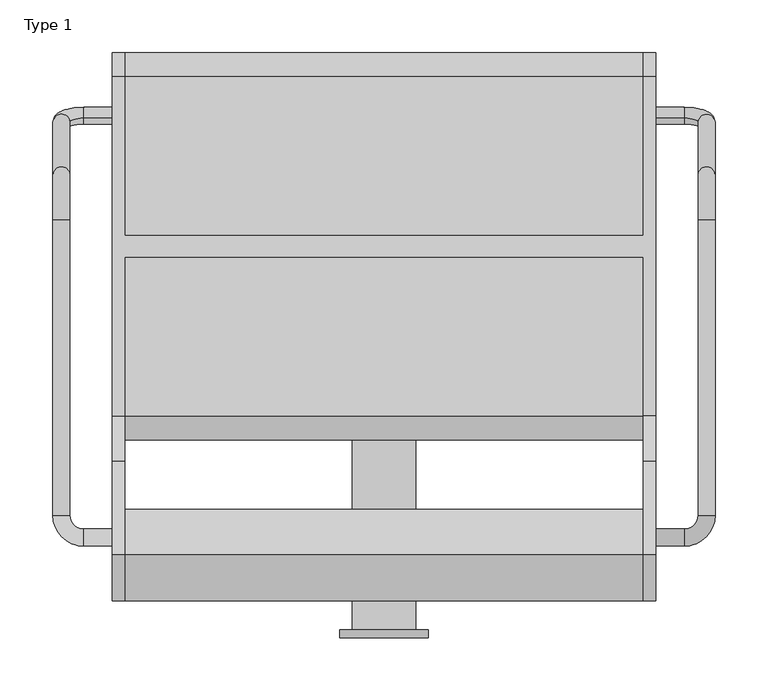
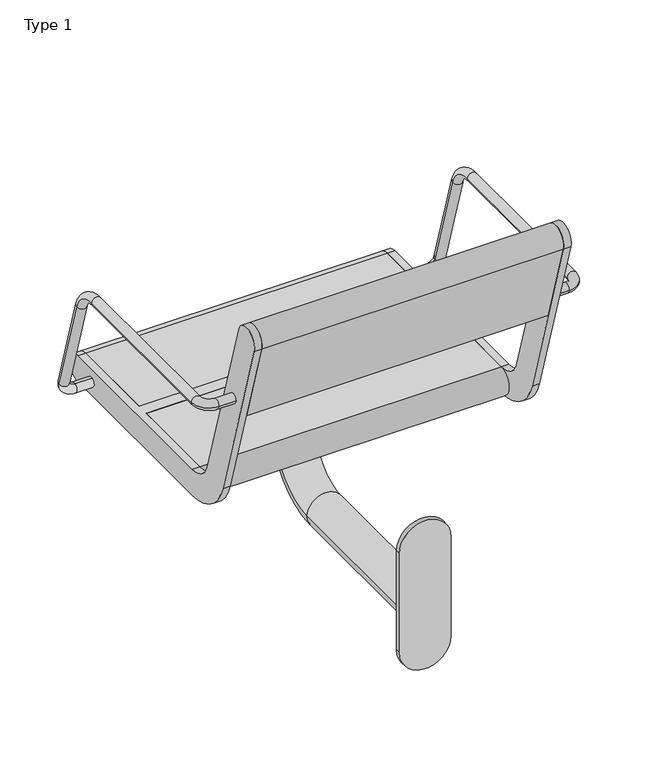
"""IFC4 building model written with IfcOpenShell, lengths in millimetres: furniture geometry, Type 1."""

from ifc_helpers import new_model, si_unit, point, frame, frame_2d, origin, place, context, project, spatial, polyline, circle_curve, ellipse_curve, trimmed, segment, composite_curve, outline, extrude, source, transform, mapped, element, save
from ifc_brep_helpers import plane_surface, cylinder_surface, revolved_surface, advanced_brep


def type_1_fa1e39c8(model_context):
    return source(origin(), model_context, "Body", "SolidModel", [
        advanced_brep(
        [(382.0, 591.6610264, 435.150438), (382.0, 596.3389736, 419.849562), (409.0, 596.3389736, 419.849562), (409.0, 591.6610264, 435.150438), (438.0, 587.8601942, 447.5823999), (422.0, 587.8601942, 447.5823999), (438.0, 216.0, 641.5), (438.0, 495.2753858, 641.5), (422.0, 495.2753858, 641.5), (422.0, 216.0, 641.5), (422.0, 538.3090998, 609.6567267), (438.0, 538.3090998, 609.6567267), (382.0, 203.0, 641.5), (382.0, 187.0, 641.5), (409.0, 187.0, 641.5), (409.0, 203.0, 641.5)],
        [
            (0, 1, circle_curve(frame((382.0, 594.0, 427.5), z_axis=(-1.0, 0.0, 0.0), x_axis=(0.0, 0.2923717047227402, -0.9563047559630344)), 8.0)),
            (1, 0, circle_curve(frame((382.0, 594.0, 427.5), z_axis=(-1.0, 0.0, 0.0), x_axis=(0.0, 0.2923717047227402, -0.9563047559630344)), 8.0)),
            (1, 2),
            (2, 3, circle_curve(frame((409.0, 594.0, 427.5), z_axis=(-1.0, 0.0, 0.0), x_axis=(0.0, 0.2923717047227402, -0.9563047559630344)), 8.0)),
            (3, 0),
            (3, 2, circle_curve(frame((409.0, 594.0, 427.5), z_axis=(-1.0, 0.0, 0.0), x_axis=(0.0, 0.2923717047227402, -0.9563047559630344)), 8.0)),
            (2, 4, circle_curve(frame((409.0, 587.8601942, 447.5823999), z_axis=(0.0, -0.9563047559630344, -0.29237170472274027), x_axis=(0.0, 0.29237170472274027, -0.9563047559630344)), 29.0)),
            (4, 5, circle_curve(frame((430.0, 587.8601942, 447.5823999), z_axis=(0.0, 0.29237170472274027, -0.9563047559630344), x_axis=(1.0, 0.0, 0.0)), 8.0)),
            (5, 3, circle_curve(frame((409.0, 587.8601942, 447.5823999), z_axis=(0.0, 0.9563047559630344, 0.29237170472274027), x_axis=(0.0, 0.29237170472274027, -0.9563047559630344)), 13.0)),
            (5, 4, circle_curve(frame((430.0, 587.8601942, 447.5823999), z_axis=(0.0, 0.29237170472274027, -0.9563047559630344), x_axis=(1.0, 0.0, 0.0)), 8.0)),
            (6, 7),
            (7, 8, circle_curve(frame((430.0, 495.2753858, 641.5), z_axis=(0.0, -1.0, 0.0), x_axis=(1.0, 0.0, 0.0)), 8.0)),
            (8, 9),
            (9, 6, circle_curve(frame((430.0, 216.0, 641.5), z_axis=(0.0, 1.0, 0.0), x_axis=(1.0, 0.0, 0.0)), 8.0)),
            (6, 9, circle_curve(frame((430.0, 216.0, 641.5), z_axis=(0.0, 1.0, 0.0), x_axis=(1.0, 0.0, 0.0)), 8.0)),
            (8, 7, circle_curve(frame((430.0, 495.2753858, 641.5), z_axis=(0.0, -1.0, 0.0), x_axis=(1.0, 0.0, 0.0)), 8.0)),
            (10, 11, circle_curve(frame((430.0, 538.3090998, 609.6567267), z_axis=(0.0, 0.2923717047227378, -0.9563047559630351), x_axis=(1.0, 0.0, 0.0)), 8.0)),
            (11, 4),
            (5, 10),
            (11, 10, circle_curve(frame((430.0, 538.3090998, 609.6567267), z_axis=(0.0, 0.2923717047227378, -0.9563047559630351), x_axis=(1.0, 0.0, 0.0)), 8.0)),
            (7, 11, circle_curve(frame((438.0, 495.2753858, 596.5), z_axis=(-1.0, 0.0, 0.0), x_axis=(0.0, 0.0, 1.0)), 45.0)),
            (10, 8, circle_curve(frame((422.0, 495.2753858, 596.5), z_axis=(1.0, 0.0, 0.0), x_axis=(0.0, 0.0, 1.0)), 45.0)),
            (12, 13, circle_curve(frame((382.0, 195.0, 641.5), z_axis=(-1.0, 0.0, 0.0), x_axis=(0.0, -1.0, 0.0)), 8.0)),
            (13, 12, circle_curve(frame((382.0, 195.0, 641.5), z_axis=(-1.0, 0.0, 0.0), x_axis=(0.0, -1.0, 0.0)), 8.0)),
            (13, 14),
            (14, 15, circle_curve(frame((409.0, 195.0, 641.5), z_axis=(-1.0, 0.0, 0.0), x_axis=(0.0, -1.0, 0.0)), 8.0)),
            (15, 12),
            (15, 14, circle_curve(frame((409.0, 195.0, 641.5), z_axis=(-1.0, 0.0, 0.0), x_axis=(0.0, -1.0, 0.0)), 8.0)),
            (14, 6, circle_curve(frame((409.0, 216.0, 641.5), z_axis=(0.0, 0.0, 1.0), x_axis=(0.0, -1.0, 0.0)), 29.0)),
            (9, 15, circle_curve(frame((409.0, 216.0, 641.5), z_axis=(0.0, 0.0, -1.0), x_axis=(0.0, -1.0, 0.0)), 13.0)),
        ],
        [
            plane_surface(frame((382.0, 1207.469501, 615.0564486), z_axis=(-1.0, 0.0, 0.0), x_axis=(0.0, -0.9563047559630344, -0.29237170472274027))),
            cylinder_surface(frame((382.0, 594.0, 427.5), z_axis=(-1.0, 0.0, 0.0), x_axis=(0.0, 0.2923717047227402, -0.9563047559630344)), 8.0),
            revolved_surface(trimmed(ellipse_curve(frame((409.0, 594.0, 427.5), z_axis=(-1.0, 0.0, 0.0), x_axis=(0.0, 0.2923717047227402, -0.9563047559630344)), 8.0, 8.0), [point((409.0, 596.3389736, 419.849562))], [point((409.0, 591.6610264, 435.150438))], True, "CARTESIAN"), (409.0, 1201.3296952, 635.1388485), (0.0, -0.9563047559630344, -0.29237170472274027)),
            revolved_surface(trimmed(ellipse_curve(frame((409.0, 594.0, 427.5), z_axis=(-1.0, 0.0, 0.0), x_axis=(0.0, 0.2923717047227402, -0.9563047559630344)), 8.0, 8.0), [point((409.0, 591.6610264, 435.150438))], [point((409.0, 596.3389736, 419.849562))], True, "CARTESIAN"), (409.0, 1201.3296952, 635.1388485), (0.0, -0.9563047559630344, -0.29237170472274027)),
            cylinder_surface(frame((430.0, 216.0, 641.5), z_axis=(0.0, -1.0, 0.0), x_axis=(1.0, 0.0, 0.0)), 8.0),
            cylinder_surface(frame((430.0, 538.3090998, 609.6567267), z_axis=(0.0, -0.2923717047227378, 0.9563047559630351), x_axis=(1.0, 0.0, 0.0)), 8.0),
            revolved_surface(trimmed(ellipse_curve(frame((430.0, 495.2753858, 641.5), z_axis=(0.0, -1.0, 0.0), x_axis=(1.0, 0.0, 0.0)), 8.0, 8.0), [point((438.0, 495.2753858, 641.5))], [point((422.0, 495.2753858, 641.5))], True, "CARTESIAN"), (125.0, 495.2753858, 596.5), (-1.0, 0.0, 0.0)),
            revolved_surface(trimmed(ellipse_curve(frame((430.0, 495.2753858, 641.5), z_axis=(0.0, -1.0, 0.0), x_axis=(1.0, 0.0, 0.0)), 8.0, 8.0), [point((422.0, 495.2753858, 641.5))], [point((438.0, 495.2753858, 641.5))], True, "CARTESIAN"), (125.0, 495.2753858, 596.5), (-1.0, 0.0, 0.0)),
            plane_surface(frame((382.0, 195.0, 405.0), z_axis=(-1.0, 0.0, 0.0), x_axis=(0.0, 0.0, 1.0))),
            cylinder_surface(frame((382.0, 195.0, 641.5), z_axis=(-1.0, 0.0, 0.0), x_axis=(0.0, -1.0, 0.0)), 8.0),
            revolved_surface(trimmed(ellipse_curve(frame((409.0, 195.0, 641.5), z_axis=(-1.0, 0.0, 0.0), x_axis=(0.0, -1.0, 0.0)), 8.0, 8.0), [point((409.0, 187.0, 641.5))], [point((409.0, 203.0, 641.5))], True, "CARTESIAN"), (409.0, 216.0, 405.0), (0.0, 0.0, 1.0)),
            revolved_surface(trimmed(ellipse_curve(frame((409.0, 195.0, 641.5), z_axis=(-1.0, 0.0, 0.0), x_axis=(0.0, -1.0, 0.0)), 8.0, 8.0), [point((409.0, 203.0, 641.5))], [point((409.0, 187.0, 641.5))], True, "CARTESIAN"), (409.0, 216.0, 405.0), (0.0, 0.0, 1.0)),
        ],
        [
            (0, [[1, 2]]),
            (1, [[-2, 3, 4, 5]]),
            (1, [[-1, -5, 6, -3]]),
            (2, [[-4, 7, 8, 9]]),
            (3, [[-6, -9, 10, -7]]),
            (4, [[11, 12, 13, 14]]),
            (4, [[-11, 15, -13, 16]]),
            (5, [[17, 18, -10, 19]]),
            (5, [[-18, 20, -19, -8]]),
            (6, [[-12, 21, -17, 22]]),
            (7, [[-16, -22, -20, -21]]),
            (8, [[23, 24]]),
            (9, [[-24, 25, 26, 27]]),
            (9, [[-23, -27, 28, -25]]),
            (10, [[-26, 29, -14, 30]]),
            (11, [[-28, -30, -15, -29]]),
        ],
    ),
        advanced_brep(
        [(-172.0, 216.0, 641.5), (-172.0, 495.2753858, 641.5), (-188.0, 495.2753858, 641.5), (-188.0, 216.0, 641.5), (-188.0, 538.3090998, 609.6567267), (-172.0, 538.3090998, 609.6567267), (-172.0, 587.8601942, 447.5823999), (-188.0, 587.8601942, 447.5823999), (-132.0, 203.0, 641.5), (-132.0, 187.0, 641.5), (-159.0, 203.0, 641.5), (-159.0, 187.0, 641.5), (-132.0, 591.6610264, 435.150438), (-132.0, 596.3389736, 419.849562), (-159.0, 591.6610264, 435.150438), (-159.0, 596.3389736, 419.849562)],
        [
            (0, 1),
            (1, 2, circle_curve(frame((-180.0, 495.2753858, 641.5), z_axis=(0.0, -1.0, 0.0), x_axis=(-1.0, 0.0, 0.0)), 8.0)),
            (2, 3),
            (3, 0, circle_curve(frame((-180.0, 216.0, 641.5), z_axis=(0.0, 1.0, 0.0), x_axis=(-1.0, 0.0, 0.0)), 8.0)),
            (0, 3, circle_curve(frame((-180.0, 216.0, 641.5), z_axis=(0.0, 1.0, 0.0), x_axis=(-1.0, 0.0, 0.0)), 8.0)),
            (2, 1, circle_curve(frame((-180.0, 495.2753858, 641.5), z_axis=(0.0, -1.0, 0.0), x_axis=(-1.0, 0.0, 0.0)), 8.0)),
            (4, 5, circle_curve(frame((-180.0, 538.3090998, 609.6567267), z_axis=(0.0, 0.2923717047227378, -0.9563047559630351), x_axis=(-1.0, 0.0, 0.0)), 8.0)),
            (5, 6),
            (6, 7, circle_curve(frame((-180.0, 587.8601942, 447.5823999), z_axis=(0.0, -0.2923717047227378, 0.9563047559630351), x_axis=(-1.0, 0.0, 0.0)), 8.0)),
            (7, 4),
            (5, 4, circle_curve(frame((-180.0, 538.3090998, 609.6567267), z_axis=(0.0, 0.2923717047227378, -0.9563047559630351), x_axis=(-1.0, 0.0, 0.0)), 8.0)),
            (7, 6, circle_curve(frame((-180.0, 587.8601942, 447.5823999), z_axis=(0.0, -0.2923717047227378, 0.9563047559630351), x_axis=(-1.0, 0.0, 0.0)), 8.0)),
            (1, 5, circle_curve(frame((-172.0, 495.2753858, 596.5), z_axis=(-1.0, 0.0, 0.0), x_axis=(0.0, 0.0, 1.0)), 45.0)),
            (4, 2, circle_curve(frame((-188.0, 495.2753858, 596.5), z_axis=(1.0, 0.0, 0.0), x_axis=(0.0, 0.0, 1.0)), 45.0)),
            (8, 9, circle_curve(frame((-132.0, 195.0, 641.5), z_axis=(1.0, 0.0, 0.0), x_axis=(0.0, -1.0, 0.0)), 8.0)),
            (9, 8, circle_curve(frame((-132.0, 195.0, 641.5), z_axis=(1.0, 0.0, 0.0), x_axis=(0.0, -1.0, 0.0)), 8.0)),
            (8, 10),
            (10, 11, circle_curve(frame((-159.0, 195.0, 641.5), z_axis=(1.0, 0.0, 0.0), x_axis=(0.0, -1.0, 0.0)), 8.0)),
            (11, 9),
            (11, 10, circle_curve(frame((-159.0, 195.0, 641.5), z_axis=(1.0, 0.0, 0.0), x_axis=(0.0, -1.0, 0.0)), 8.0)),
            (10, 0, circle_curve(frame((-159.0, 216.0, 641.5), z_axis=(0.0, 0.0, -1.0), x_axis=(0.0, -1.0, 0.0)), 13.0)),
            (3, 11, circle_curve(frame((-159.0, 216.0, 641.5), z_axis=(0.0, 0.0, 1.0), x_axis=(0.0, -1.0, 0.0)), 29.0)),
            (12, 13, circle_curve(frame((-132.0, 594.0, 427.5), z_axis=(1.0, 0.0, 0.0), x_axis=(0.0, 0.2923717047227402, -0.9563047559630344)), 8.0)),
            (13, 12, circle_curve(frame((-132.0, 594.0, 427.5), z_axis=(1.0, 0.0, 0.0), x_axis=(0.0, 0.2923717047227402, -0.9563047559630344)), 8.0)),
            (12, 14),
            (14, 15, circle_curve(frame((-159.0, 594.0, 427.5), z_axis=(1.0, 0.0, 0.0), x_axis=(0.0, 0.2923717047227402, -0.9563047559630344)), 8.0)),
            (15, 13),
            (15, 14, circle_curve(frame((-159.0, 594.0, 427.5), z_axis=(1.0, 0.0, 0.0), x_axis=(0.0, 0.2923717047227402, -0.9563047559630344)), 8.0)),
            (14, 6, circle_curve(frame((-159.0, 587.8601942, 447.5823999), z_axis=(0.0, 0.9563047559630344, 0.2923717047227402), x_axis=(0.0, 0.2923717047227402, -0.9563047559630344)), 13.0)),
            (7, 15, circle_curve(frame((-159.0, 587.8601942, 447.5823999), z_axis=(0.0, -0.9563047559630344, -0.2923717047227402), x_axis=(0.0, 0.2923717047227402, -0.9563047559630344)), 29.0)),
        ],
        [
            cylinder_surface(frame((-180.0, 216.0, 641.5), z_axis=(0.0, -1.0, 0.0), x_axis=(-1.0, 0.0, 0.0)), 8.0),
            cylinder_surface(frame((-180.0, 538.3090998, 609.6567267), z_axis=(0.0, -0.2923717047227378, 0.9563047559630351), x_axis=(-1.0, 0.0, 0.0)), 8.0),
            revolved_surface(trimmed(ellipse_curve(frame((-180.0, 495.2753858, 641.5), z_axis=(0.0, -1.0, 0.0), x_axis=(-1.0, 0.0, 0.0)), 8.0, 8.0), [point((-172.0, 495.2753858, 641.5))], [point((-188.0, 495.2753858, 641.5))], True, "CARTESIAN"), (125.0, 495.2753858, 596.5), (-1.0, 0.0, 0.0)),
            revolved_surface(trimmed(ellipse_curve(frame((-180.0, 495.2753858, 641.5), z_axis=(0.0, -1.0, 0.0), x_axis=(-1.0, 0.0, 0.0)), 8.0, 8.0), [point((-188.0, 495.2753858, 641.5))], [point((-172.0, 495.2753858, 641.5))], True, "CARTESIAN"), (125.0, 495.2753858, 596.5), (-1.0, 0.0, 0.0)),
            plane_surface(frame((-132.0, 195.0, 405.0), z_axis=(1.0, 0.0, 0.0), x_axis=(0.0, 0.0, 1.0))),
            cylinder_surface(frame((-132.0, 195.0, 641.5), z_axis=(1.0, 0.0, 0.0), x_axis=(0.0, -1.0, 0.0)), 8.0),
            revolved_surface(trimmed(ellipse_curve(frame((-159.0, 195.0, 641.5), z_axis=(1.0, 0.0, 0.0), x_axis=(0.0, -1.0, 0.0)), 8.0, 8.0), [point((-159.0, 203.0, 641.5))], [point((-159.0, 187.0, 641.5))], True, "CARTESIAN"), (-159.0, 216.0, 405.0), (0.0, 0.0, -1.0)),
            revolved_surface(trimmed(ellipse_curve(frame((-159.0, 195.0, 641.5), z_axis=(1.0, 0.0, 0.0), x_axis=(0.0, -1.0, 0.0)), 8.0, 8.0), [point((-159.0, 187.0, 641.5))], [point((-159.0, 203.0, 641.5))], True, "CARTESIAN"), (-159.0, 216.0, 405.0), (0.0, 0.0, -1.0)),
            plane_surface(frame((-132.0, 1207.469501, 615.0564486), z_axis=(1.0, 0.0, 0.0), x_axis=(0.0, -0.9563047559630344, -0.2923717047227402))),
            cylinder_surface(frame((-132.0, 594.0, 427.5), z_axis=(1.0, 0.0, 0.0), x_axis=(0.0, 0.2923717047227402, -0.9563047559630344)), 8.0),
            revolved_surface(trimmed(ellipse_curve(frame((-159.0, 594.0, 427.5), z_axis=(1.0, 0.0, 0.0), x_axis=(0.0, 0.2923717047227402, -0.9563047559630344)), 8.0, 8.0), [point((-159.0, 591.6610264, 435.150438))], [point((-159.0, 596.3389736, 419.849562))], True, "CARTESIAN"), (-159.0, 1201.3296952, 635.1388485), (0.0, 0.9563047559630344, 0.2923717047227402)),
            revolved_surface(trimmed(ellipse_curve(frame((-159.0, 594.0, 427.5), z_axis=(1.0, 0.0, 0.0), x_axis=(0.0, 0.2923717047227402, -0.9563047559630344)), 8.0, 8.0), [point((-159.0, 596.3389736, 419.849562))], [point((-159.0, 591.6610264, 435.150438))], True, "CARTESIAN"), (-159.0, 1201.3296952, 635.1388485), (0.0, 0.9563047559630344, 0.2923717047227402)),
        ],
        [
            (0, [[1, 2, 3, 4]]),
            (0, [[-1, 5, -3, 6]]),
            (1, [[7, 8, 9, 10]]),
            (1, [[-8, 11, -10, 12]]),
            (2, [[-2, 13, -7, 14]]),
            (3, [[-6, -14, -11, -13]]),
            (4, [[15, 16]]),
            (5, [[-15, 17, 18, 19]]),
            (5, [[-16, -19, 20, -17]]),
            (6, [[-18, 21, -4, 22]]),
            (7, [[-20, -22, -5, -21]]),
            (8, [[23, 24]]),
            (9, [[-23, 25, 26, 27]]),
            (9, [[-24, -27, 28, -25]]),
            (10, [[-26, 29, -12, 30]]),
            (11, [[-28, -30, -9, -29]]),
        ],
    ),
        advanced_brep(
        [(370.0, 178.9624029, 769.6910048), (370.0, 266.966286, 481.8432733), (370.0, 310.0, 450.0), (370.0, 460.5, 450.0), (370.0, 460.5, 405.0), (370.0, 310.0, 405.0), (370.0, 223.932572, 468.6865466), (370.0, 135.9286888, 756.5342781), (370.0, 631.0, 450.0), (370.0, 631.0, 405.0), (370.0, 480.5, 405.0), (370.0, 480.5, 450.0), (382.0, 178.9624029, 769.6910048), (382.0, 135.9286888, 756.5342781), (382.0, 223.932572, 468.6865466), (382.0, 310.0, 405.0), (382.0, 631.0, 405.0), (382.0, 631.0, 450.0), (382.0, 310.0, 450.0), (382.0, 266.966286, 481.8432733), (-120.0, 480.5, 450.0), (-120.0, 631.0, 450.0), (-132.0, 631.0, 450.0), (-132.0, 310.0, 450.0), (-120.0, 310.0, 450.0), (-120.0, 460.5, 450.0), (-120.0, 460.5, 405.0), (-120.0, 310.0, 405.0), (-132.0, 310.0, 405.0), (-132.0, 631.0, 405.0), (-120.0, 631.0, 405.0), (-120.0, 480.5, 405.0), (-132.0, 178.9624029, 769.6910048), (-132.0, 266.966286, 481.8432733), (-132.0, 223.932572, 468.6865466), (-132.0, 135.9286888, 756.5342781), (-120.0, 178.9624029, 769.6910048), (-120.0, 135.9286888, 756.5342781), (-120.0, 223.932572, 468.6865466), (-120.0, 266.966286, 481.8432733)],
        [
            (0, 1),
            (1, 2, circle_curve(frame((370.0, 310.0, 495.0), z_axis=(1.0, 0.0, 0.0), x_axis=(0.0, 1.0, 0.0)), 45.0)),
            (2, 3),
            (3, 4),
            (4, 5),
            (5, 6, circle_curve(frame((370.0, 310.0, 495.0), z_axis=(-1.0, 0.0, 0.0), x_axis=(0.0, 1.0, 0.0)), 90.0)),
            (6, 7),
            (7, 0, circle_curve(frame((370.0, 157.4455459, 763.1126415), z_axis=(-1.0, 0.0, 0.0), x_axis=(0.0, 1.0, 0.0)), 22.5)),
            (8, 9, circle_curve(frame((370.0, 631.0, 427.5), z_axis=(-1.0, 0.0, 0.0), x_axis=(0.0, 1.0, 0.0)), 22.5)),
            (9, 10),
            (10, 11),
            (11, 8),
            (12, 13, circle_curve(frame((382.0, 157.4455459, 763.1126415), z_axis=(1.0, 0.0, 0.0), x_axis=(0.0, 1.0, 0.0)), 22.5)),
            (13, 14),
            (14, 15, circle_curve(frame((382.0, 310.0, 495.0), z_axis=(1.0, 0.0, 0.0), x_axis=(0.0, 1.0, 0.0)), 90.0)),
            (15, 16),
            (16, 17, circle_curve(frame((382.0, 631.0, 427.5), z_axis=(1.0, 0.0, 0.0), x_axis=(0.0, 1.0, 0.0)), 22.5)),
            (17, 18),
            (18, 19, circle_curve(frame((382.0, 310.0, 495.0), z_axis=(-1.0, 0.0, 0.0), x_axis=(0.0, 1.0, 0.0)), 45.0)),
            (19, 12),
            (0, 12),
            (19, 1),
            (18, 2),
            (17, 8),
            (11, 20),
            (20, 21),
            (21, 22),
            (22, 23),
            (23, 24),
            (24, 25),
            (25, 3),
            (15, 5),
            (4, 26),
            (26, 27),
            (27, 28),
            (28, 29),
            (29, 30),
            (30, 31),
            (31, 10),
            (9, 16),
            (14, 6),
            (13, 7),
            (31, 20),
            (25, 26),
            (32, 33),
            (33, 23, circle_curve(frame((-132.0, 310.0, 495.0), z_axis=(1.0, 0.0, 0.0), x_axis=(0.0, 1.0, 0.0)), 45.0)),
            (22, 29, circle_curve(frame((-132.0, 631.0, 427.5), z_axis=(-1.0, 0.0, 0.0), x_axis=(0.0, 1.0, 0.0)), 22.5)),
            (28, 34, circle_curve(frame((-132.0, 310.0, 495.0), z_axis=(-1.0, 0.0, 0.0), x_axis=(0.0, 1.0, 0.0)), 90.0)),
            (34, 35),
            (35, 32, circle_curve(frame((-132.0, 157.4455459, 763.1126415), z_axis=(-1.0, 0.0, 0.0), x_axis=(0.0, 1.0, 0.0)), 22.5)),
            (36, 37, circle_curve(frame((-120.0, 157.4455459, 763.1126415), z_axis=(1.0, 0.0, 0.0), x_axis=(0.0, 1.0, 0.0)), 22.5)),
            (37, 38),
            (38, 27, circle_curve(frame((-120.0, 310.0, 495.0), z_axis=(1.0, 0.0, 0.0), x_axis=(0.0, 1.0, 0.0)), 90.0)),
            (24, 39, circle_curve(frame((-120.0, 310.0, 495.0), z_axis=(-1.0, 0.0, 0.0), x_axis=(0.0, 1.0, 0.0)), 45.0)),
            (39, 36),
            (30, 21, circle_curve(frame((-120.0, 631.0, 427.5), z_axis=(1.0, 0.0, 0.0), x_axis=(0.0, 1.0, 0.0)), 22.5)),
            (32, 36),
            (39, 33),
            (38, 34),
            (37, 35),
        ],
        [
            plane_surface(frame((370.0, 266.966286, 481.8432733), z_axis=(-1.0000000000000002, 0.0, 0.0), x_axis=(0.0, 0.29237170472273394, -0.9563047559630364))),
            plane_surface(frame((382.0, 266.966286, 481.8432733), z_axis=(1.0000000000000002, 0.0, 0.0), x_axis=(0.0, -0.29237170472273394, 0.9563047559630364))),
            plane_surface(frame((370.0, 178.9624029, 769.6910048), z_axis=(0.0, 0.9563047559630364, 0.29237170472273394), x_axis=(1.0, 0.0, 0.0))),
            revolved_surface(polyline([(382.0, 355.0, 495.0), (370.0, 355.0, 495.0)]), (382.0, 310.0, 495.0), (1.0, 0.0, 0.0)),
            plane_surface(frame((370.0, 310.0, 450.0), z_axis=(0.0, 0.0, 1.0), x_axis=(1.0, 0.0, 0.0))),
            plane_surface(frame((370.0, 631.0, 405.0), z_axis=(0.0, 0.0, -1.0), x_axis=(1.0, 0.0, 0.0))),
            cylinder_surface(frame((382.0, 310.0, 495.0), z_axis=(-1.0, 0.0, 0.0), x_axis=(0.0, 1.0, 0.0)), 90.0),
            plane_surface(frame((370.0, 223.932572, 468.6865466), z_axis=(0.0, -0.9563047559630364, -0.29237170472273366), x_axis=(1.0, 0.0, 0.0))),
            cylinder_surface(frame((382.0, 157.4455459, 763.1126415), z_axis=(-1.0, 0.0, 0.0), x_axis=(0.0, 1.0, 0.0)), 22.5),
            cylinder_surface(frame((382.0, 631.0, 427.5), z_axis=(-1.0, 0.0, 0.0), x_axis=(0.0, 1.0, 0.0)), 22.5),
            plane_surface(frame((-120.0, 480.5, 450.0), z_axis=(0.0, 1.0, 0.0), x_axis=(1.0, 0.0, 0.0))),
            plane_surface(frame((-120.0, 460.5, 405.0), z_axis=(0.0, -1.0, 0.0), x_axis=(1.0, 0.0, 0.0))),
            plane_surface(frame((-132.0, 266.966286, 481.8432733), z_axis=(-1.0000000000000002, 0.0, 0.0), x_axis=(0.0, 0.29237170472273394, -0.9563047559630364))),
            plane_surface(frame((-120.0, 266.966286, 481.8432733), z_axis=(1.0000000000000002, 0.0, 0.0), x_axis=(0.0, -0.29237170472273394, 0.9563047559630364))),
            plane_surface(frame((-132.0, 178.9624029, 769.6910048), z_axis=(0.0, 0.9563047559630364, 0.29237170472273394), x_axis=(1.0, 0.0, 0.0))),
            revolved_surface(polyline([(-120.0, 355.0, 495.0), (-132.0, 355.0, 495.0)]), (-120.0, 310.0, 495.0), (1.0, 0.0, 0.0)),
            cylinder_surface(frame((-120.0, 310.0, 495.0), z_axis=(-1.0, 0.0, 0.0), x_axis=(0.0, 1.0, 0.0)), 90.0),
            plane_surface(frame((-132.0, 223.932572, 468.6865466), z_axis=(0.0, -0.9563047559630364, -0.29237170472273366), x_axis=(1.0, 0.0, 0.0))),
            cylinder_surface(frame((-120.0, 157.4455459, 763.1126415), z_axis=(-1.0, 0.0, 0.0), x_axis=(0.0, 1.0, 0.0)), 22.5),
            cylinder_surface(frame((-120.0, 631.0, 427.5), z_axis=(-1.0, 0.0, 0.0), x_axis=(0.0, 1.0, 0.0)), 22.5),
        ],
        [
            (0, [[1, 2, 3, 4, 5, 6, 7, 8]]),
            (0, [[9, 10, 11, 12]]),
            (1, [[13, 14, 15, 16, 17, 18, 19, 20]]),
            (2, [[-1, 21, -20, 22]]),
            (3, [[-2, -22, -19, 23]]),
            (4, [[-18, 24, -12, 25, 26, 27, 28, 29, 30, 31, -3, -23]]),
            (5, [[-16, 32, -5, 33, 34, 35, 36, 37, 38, 39, -10, 40]]),
            (6, [[-6, -32, -15, 41]]),
            (7, [[-7, -41, -14, 42]]),
            (8, [[-8, -42, -13, -21]]),
            (9, [[-9, -24, -17, -40]]),
            (10, [[-25, -11, -39, 43]]),
            (11, [[-31, 44, -33, -4]]),
            (12, [[45, 46, -28, 47, -36, 48, 49, 50]]),
            (13, [[51, 52, 53, -34, -44, -30, 54, 55]]),
            (13, [[56, -26, -43, -38]]),
            (14, [[-45, 57, -55, 58]]),
            (15, [[-46, -58, -54, -29]]),
            (16, [[-48, -35, -53, 59]]),
            (17, [[-49, -59, -52, 60]]),
            (18, [[-50, -60, -51, -57]]),
            (19, [[-47, -27, -56, -37]]),
        ],
    ),
        extrude(outline(composite_curve([segment(polyline([(178.9624029, 769.6910048), (221.5024859, 630.5486628), (178.4687719, 617.3919361), (135.9286888, 756.5342781)]), True, "CONTINUOUS"), segment(trimmed(circle_curve(frame_2d((157.4455459, 763.1126415)), 22.5), [point((135.9286888, 756.5342781))], [point((178.9624029, 769.6910048))], False, "CARTESIAN"), True, "CONTINUOUS")], self_intersect=False)), frame((-120.0, 0.0, 0.0), z_axis=(1.0, 0.0, 0.0), x_axis=(0.0, 1.0, 0.0)), (0.0, 0.0, 1.0), 490.0),
        extrude(outline(composite_curve([segment(polyline([(460.5, 405.0), (310.0, 405.0)]), True, "CONTINUOUS"), segment(trimmed(circle_curve(frame_2d((310.0, 427.5)), 22.5), [point((310.0, 405.0))], [point((310.0, 450.0))], False, "CARTESIAN"), True, "CONTINUOUS"), segment(polyline([(310.0, 450.0), (460.5, 450.0), (460.5, 405.0)]), True, "CONTINUOUS")], self_intersect=False)), frame((-120.0, 0.0, 0.0), z_axis=(1.0, 0.0, 0.0), x_axis=(0.0, 1.0, 0.0)), (0.0, 0.0, 1.0), 490.0),
        extrude(outline(composite_curve([segment(polyline([(480.5, 405.0), (480.5, 450.0), (631.0, 450.0)]), True, "CONTINUOUS"), segment(trimmed(circle_curve(frame_2d((631.0, 427.5)), 22.5), [point((631.0, 450.0))], [point((631.0, 405.0))], False, "CARTESIAN"), True, "CONTINUOUS"), segment(polyline([(631.0, 405.0), (480.5, 405.0)]), True, "CONTINUOUS")], self_intersect=False)), frame((-120.0, 0.0, 0.0), z_axis=(1.0, 0.0, 0.0), x_axis=(0.0, 1.0, 0.0)), (0.0, 0.0, 1.0), 490.0),
        extrude(outline(composite_curve([segment(trimmed(circle_curve(frame_2d((357.0801223, 125.0)), 41.9108501), [point((357.0801223, 166.9108501))], [point((357.0801223, 83.0891499))], False, "CARTESIAN"), True, "CONTINUOUS"), segment(polyline([(357.0801223, 83.0891499), (187.0801223, 83.0891499)]), True, "CONTINUOUS"), segment(trimmed(circle_curve(frame_2d((187.0801223, 125.0)), 41.9108501), [point((187.0801223, 83.0891499))], [point((187.0801223, 166.9108501))], False, "CARTESIAN"), True, "CONTINUOUS"), segment(polyline([(187.0801223, 166.9108501), (357.0801223, 166.9108501)]), True, "CONTINUOUS")], self_intersect=False)), frame((0.0, 100.0, 0.0), z_axis=(0.0, 1.0, 0.0), x_axis=(0.0, 0.0, 1.0)), (0.0, 0.0, 1.0), 8.0),
        advanced_brep(
        [(50.0, 595.0, 405.0), (50.0, 595.0, 389.0), (50.0, 345.0, 389.0), (50.0, 345.0, 405.0), (200.0, 595.0, 405.0), (200.0, 345.0, 405.0), (200.0, 345.0, 389.0), (200.0, 595.0, 389.0), (155.0, 470.0, 389.0), (95.0, 470.0, 389.0), (95.0, 108.0, 246.9999952), (155.0, 108.0, 246.9999952), (95.0, 379.9999981, 246.9999952), (155.0, 379.9999981, 246.9999952), (95.0, 470.0, 336.9999971), (155.0, 470.0, 336.9999971)],
        [
            (0, 1),
            (1, 2),
            (2, 3),
            (3, 0),
            (4, 5),
            (5, 6),
            (6, 7),
            (7, 4),
            (0, 4),
            (7, 1),
            (6, 2),
            (8, 9, circle_curve(frame((125.0, 470.0, 389.0), z_axis=(0.0, 0.0, 1.0), x_axis=(1.0, 0.0, 0.0)), 30.0)),
            (9, 8, circle_curve(frame((125.0, 470.0, 389.0), z_axis=(0.0, 0.0, 1.0), x_axis=(1.0, 0.0, 0.0)), 30.0)),
            (5, 3),
            (10, 11, circle_curve(frame((125.0, 108.0, 246.9999952), z_axis=(0.0, -1.0, 0.0), x_axis=(1.0, 0.0, 0.0)), 30.0)),
            (11, 10, circle_curve(frame((125.0, 108.0, 246.9999952), z_axis=(0.0, -1.0, 0.0), x_axis=(1.0, 0.0, 0.0)), 30.0)),
            (10, 12),
            (12, 13, circle_curve(frame((125.0, 379.9999981, 246.9999952), z_axis=(0.0, -1.0, 0.0), x_axis=(1.0, 0.0, 0.0)), 30.0)),
            (13, 11),
            (13, 12, circle_curve(frame((125.0, 379.9999981, 246.9999952), z_axis=(0.0, -1.0, 0.0), x_axis=(1.0, 0.0, 0.0)), 30.0)),
            (12, 14, circle_curve(frame((95.0, 379.9999981, 336.9999971), z_axis=(1.0, 0.0, 0.0), x_axis=(0.0, 0.0, -1.0)), 90.0000019)),
            (14, 15, circle_curve(frame((125.0, 470.0, 336.9999971), z_axis=(0.0, 0.0, -1.0), x_axis=(1.0, 0.0, 0.0)), 30.0)),
            (15, 13, circle_curve(frame((155.0, 379.9999981, 336.9999971), z_axis=(-1.0, 0.0, 0.0), x_axis=(0.0, 0.0, -1.0)), 90.0000019)),
            (15, 14, circle_curve(frame((125.0, 470.0, 336.9999971), z_axis=(0.0, 0.0, -1.0), x_axis=(1.0, 0.0, 0.0)), 30.0)),
            (14, 9),
            (8, 15),
        ],
        [
            plane_surface(frame((50.0, 595.0, 405.0), z_axis=(-1.0, 0.0, 0.0), x_axis=(0.0, 0.0, -1.0))),
            plane_surface(frame((200.0, 595.0, 405.0), z_axis=(1.0, 0.0, 0.0), x_axis=(0.0, 0.0, 1.0))),
            plane_surface(frame((50.0, 595.0, 405.0), z_axis=(0.0, 1.0, 0.0), x_axis=(1.0, 0.0, 0.0))),
            plane_surface(frame((50.0, 595.0, 389.0), z_axis=(0.0, 0.0, -1.0), x_axis=(1.0, 0.0, 0.0))),
            plane_surface(frame((50.0, 345.0, 389.0), z_axis=(0.0, -1.0, 0.0), x_axis=(1.0, 0.0, 0.0))),
            plane_surface(frame((50.0, 345.0, 405.0), z_axis=(0.0, 0.0, 1.0), x_axis=(1.0, 0.0, 0.0))),
            plane_surface(frame((125.0, 108.0, 246.9999952), z_axis=(0.0, -1.0, 0.0), x_axis=(-1.0, 0.0, 0.0))),
            cylinder_surface(frame((125.0, 108.0, 246.9999952), z_axis=(0.0, -1.0, 0.0), x_axis=(1.0, 0.0, 0.0)), 30.0),
            revolved_surface(trimmed(ellipse_curve(frame((125.0, 379.9999981, 246.9999952), z_axis=(0.0, -1.0, 0.0), x_axis=(1.0, 0.0, 0.0)), 30.0, 30.0), [point((95.0, 379.9999981, 246.9999952))], [point((155.0, 379.9999981, 246.9999952))], True, "CARTESIAN"), (125.0, 379.9999981, 336.9999971), (1.0, 0.0, 0.0)),
            revolved_surface(trimmed(ellipse_curve(frame((125.0, 379.9999981, 246.9999952), z_axis=(0.0, -1.0, 0.0), x_axis=(1.0, 0.0, 0.0)), 30.0, 30.0), [point((155.0, 379.9999981, 246.9999952))], [point((95.0, 379.9999981, 246.9999952))], True, "CARTESIAN"), (125.0, 379.9999981, 336.9999971), (1.0, 0.0, 0.0)),
            cylinder_surface(frame((125.0, 470.0, 336.9999971), z_axis=(0.0, 0.0, -1.0), x_axis=(1.0, 0.0, 0.0)), 30.0),
        ],
        [
            (0, [[1, 2, 3, 4]]),
            (1, [[5, 6, 7, 8]]),
            (2, [[-1, 9, -8, 10]]),
            (3, [[-2, -10, -7, 11], [12, 13]]),
            (4, [[-3, -11, -6, 14]]),
            (5, [[-4, -14, -5, -9]]),
            (6, [[15, 16]]),
            (7, [[-15, 17, 18, 19]]),
            (7, [[-16, -19, 20, -17]]),
            (8, [[-18, 21, 22, 23]]),
            (9, [[-20, -23, 24, -21]]),
            (10, [[-22, 25, -12, 26]]),
            (10, [[-24, -26, -13, -25]]),
        ],
    ),
    ])


if __name__ == "__main__":
    model = new_model("IFC4")
    model_context = context("Model", 3, world=origin())
    ifc_project = project(units=[si_unit("LENGTHUNIT", "METRE", prefix="MILLI")], contexts=[model_context])
    site = spatial("IfcSite", under=ifc_project)
    building = spatial("IfcBuilding", under=site)
    placement = place(None, origin())
    type_1_shape = type_1_fa1e39c8(model_context)
    element("IfcFurniture", 1, ObjectType="Type 1", at=placement, inside=building, context=model_context, shape_type="MappedRepresentation", body=[
        mapped(type_1_shape, transform((0.0, 0.0, 0.0), x_axis=(1.0, 0.0, 0.0), y_axis=(0.0, 1.0, 0.0), z_axis=(0.0, 0.0, 1.0))),
    ])
    save(model, "model.ifc")
